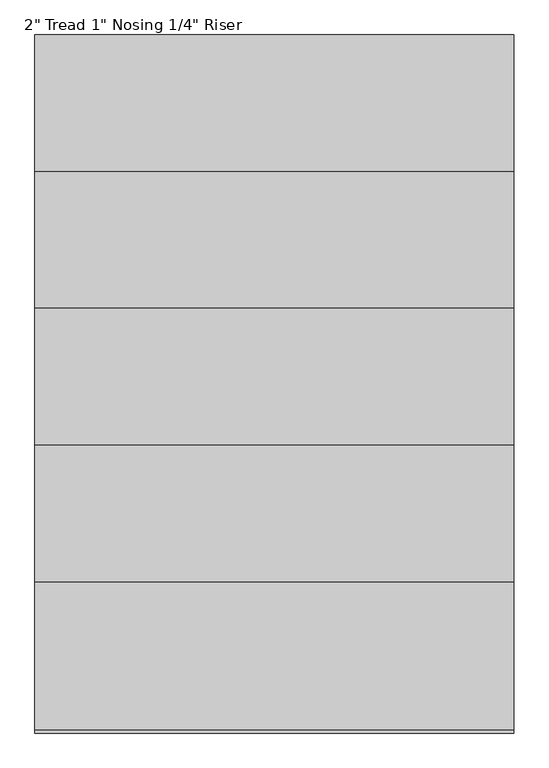
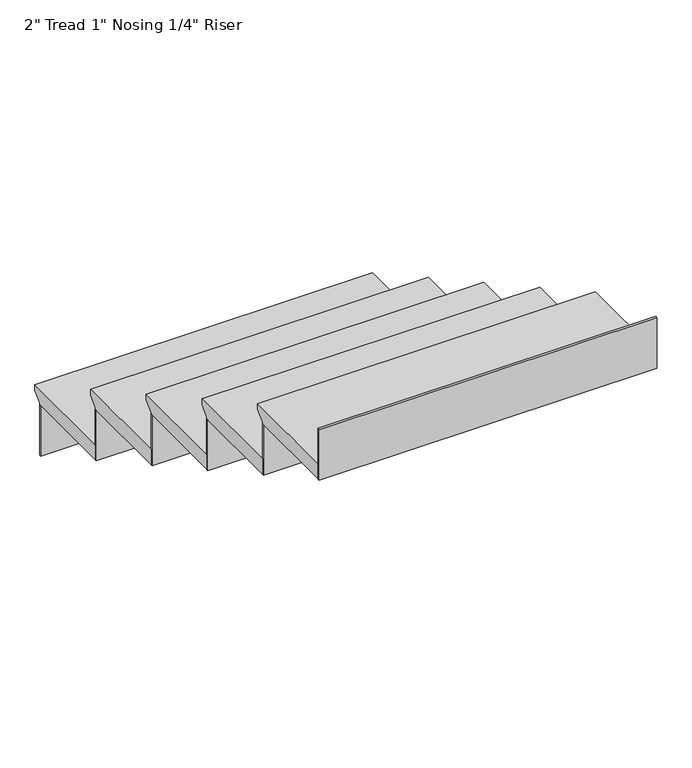
"""IFC4 building model written with IfcOpenShell, lengths in millimetres: stair flight geometry."""

from ifc_helpers import new_model, si_unit, frame, origin, place, context, project, spatial, polyline, outline, extrude, source, transform, mapped, element, save


def stair_flight_81761c08(model_context):
    return source(origin(), model_context, "Body", "SweptSolid", [
        extrude(outline(polyline([(-5953.0453523, 2026.0235294), (-5622.8453523, 2026.0235294), (-5622.8453523, 2006.9735294), (-5648.2453523, 1981.5735294), (-5648.2453523, 1975.2235294), (-5953.0453523, 1975.2235294), (-5953.0453523, 2026.0235294)])), frame((37131.7697162, 0.0, 0.0), z_axis=(1.0, 0.0, 0.0), x_axis=(0.0, 1.0, 0.0)), (0.0, 0.0, 1.0), 1066.8),
        extrude(outline(polyline([(37131.7697162, -5654.5953523), (37131.7697162, -5648.2453523), (38198.5697162, -5648.2453523), (38198.5697162, -5654.5953523), (37131.7697162, -5654.5953523)])), frame((0.0, 0.0, 1806.3882353), z_axis=(0.0, 0.0, 1.0), x_axis=(1.0, 0.0, 0.0)), (0.0, 0.0, 1.0), 168.8352941),
        extrude(outline(polyline([(37131.7697162, -5959.3953523), (37131.7697162, -5953.0453523), (38198.5697162, -5953.0453523), (38198.5697162, -5959.3953523), (37131.7697162, -5959.3953523)])), frame((0.0, 0.0, 1975.2235294), z_axis=(0.0, 0.0, 1.0), x_axis=(1.0, 0.0, 0.0)), (0.0, 0.0, 1.0), 168.8352941),
        extrude(outline(polyline([(-6257.8453523, 2194.8588235), (-5927.6453523, 2194.8588235), (-5927.6453523, 2175.8088235), (-5953.0453523, 2150.4088235), (-5953.0453523, 2144.0588235), (-6257.8453523, 2144.0588235), (-6257.8453523, 2194.8588235)])), frame((37131.7697162, 0.0, 0.0), z_axis=(1.0, 0.0, 0.0), x_axis=(0.0, 1.0, 0.0)), (0.0, 0.0, 1.0), 1066.8),
        extrude(outline(polyline([(37131.7697162, -6264.1953523), (37131.7697162, -6257.8453523), (38198.5697162, -6257.8453523), (38198.5697162, -6264.1953523), (37131.7697162, -6264.1953523)])), frame((0.0, 0.0, 2144.0588235), z_axis=(0.0, 0.0, 1.0), x_axis=(1.0, 0.0, 0.0)), (0.0, 0.0, 1.0), 168.8352941),
        extrude(outline(polyline([(-6562.6453523, 2363.6941176), (-6232.4453523, 2363.6941176), (-6232.4453523, 2344.6441176), (-6257.8453523, 2319.2441176), (-6257.8453523, 2312.8941176), (-6562.6453523, 2312.8941176), (-6562.6453523, 2363.6941176)])), frame((37131.7697162, 0.0, 0.0), z_axis=(1.0, 0.0, 0.0), x_axis=(0.0, 1.0, 0.0)), (0.0, 0.0, 1.0), 1066.8),
        extrude(outline(polyline([(37131.7697162, -6568.9953523), (37131.7697162, -6562.6453523), (38198.5697162, -6562.6453523), (38198.5697162, -6568.9953523), (37131.7697162, -6568.9953523)])), frame((0.0, 0.0, 2312.8941176), z_axis=(0.0, 0.0, 1.0), x_axis=(1.0, 0.0, 0.0)), (0.0, 0.0, 1.0), 168.8352941),
        extrude(outline(polyline([(-6867.4453523, 2532.5294118), (-6537.2453523, 2532.5294118), (-6537.2453523, 2513.4794118), (-6562.6453523, 2488.0794118), (-6562.6453523, 2481.7294118), (-6867.4453523, 2481.7294118), (-6867.4453523, 2532.5294118)])), frame((37131.7697162, 0.0, 0.0), z_axis=(1.0, 0.0, 0.0), x_axis=(0.0, 1.0, 0.0)), (0.0, 0.0, 1.0), 1066.8),
        extrude(outline(polyline([(37131.7697162, -6873.7953523), (37131.7697162, -6867.4453523), (38198.5697162, -6867.4453523), (38198.5697162, -6873.7953523), (37131.7697162, -6873.7953523)])), frame((0.0, 0.0, 2481.7294118), z_axis=(0.0, 0.0, 1.0), x_axis=(1.0, 0.0, 0.0)), (0.0, 0.0, 1.0), 168.8352941),
        extrude(outline(polyline([(37131.7697162, -7178.5953523), (37131.7697162, -7172.2453523), (38198.5697162, -7172.2453523), (38198.5697162, -7178.5953523), (37131.7697162, -7178.5953523)])), frame((0.0, 0.0, 2650.5647059), z_axis=(0.0, 0.0, 1.0), x_axis=(1.0, 0.0, 0.0)), (0.0, 0.0, 1.0), 168.8352941),
        extrude(outline(polyline([(-7172.2453523, 2701.3647059), (-6842.0453523, 2701.3647059), (-6842.0453523, 2682.3147059), (-6867.4453523, 2656.9147059), (-6867.4453523, 2650.5647059), (-7172.2453523, 2650.5647059), (-7172.2453523, 2701.3647059)])), frame((37131.7697162, 0.0, 0.0), z_axis=(1.0, 0.0, 0.0), x_axis=(0.0, 1.0, 0.0)), (0.0, 0.0, 1.0), 1066.8),
    ])


if __name__ == "__main__":
    model = new_model("IFC4")
    model_context = context("Model", 3, world=origin())
    ifc_project = project(units=[si_unit("LENGTHUNIT", "METRE", prefix="MILLI")], contexts=[model_context])
    site = spatial("IfcSite", under=ifc_project)
    building = spatial("IfcBuilding", under=site)
    placement = place(None, origin())
    stair_flight_shape = stair_flight_81761c08(model_context)
    element("IfcStairFlight", 1, ObjectType="2\" Tread 1\" Nosing 1/4\" Riser", at=placement, inside=building, context=model_context, shape_type="MappedRepresentation", body=[
        mapped(stair_flight_shape, transform((0.0, 0.0, 0.0), x_axis=(1.0, 0.0, 0.0), y_axis=(0.0, 1.0, 0.0), z_axis=(0.0, 0.0, 1.0))),
    ])
    save(model, "model.ifc")
